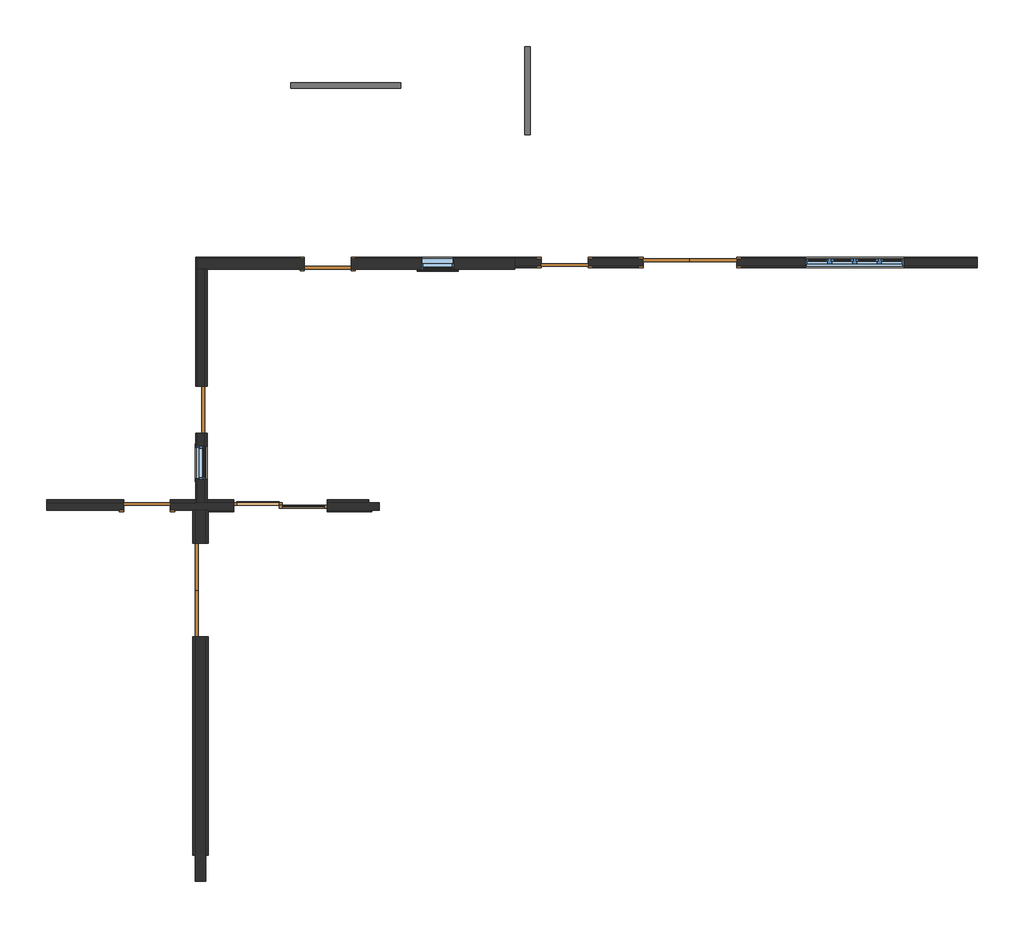
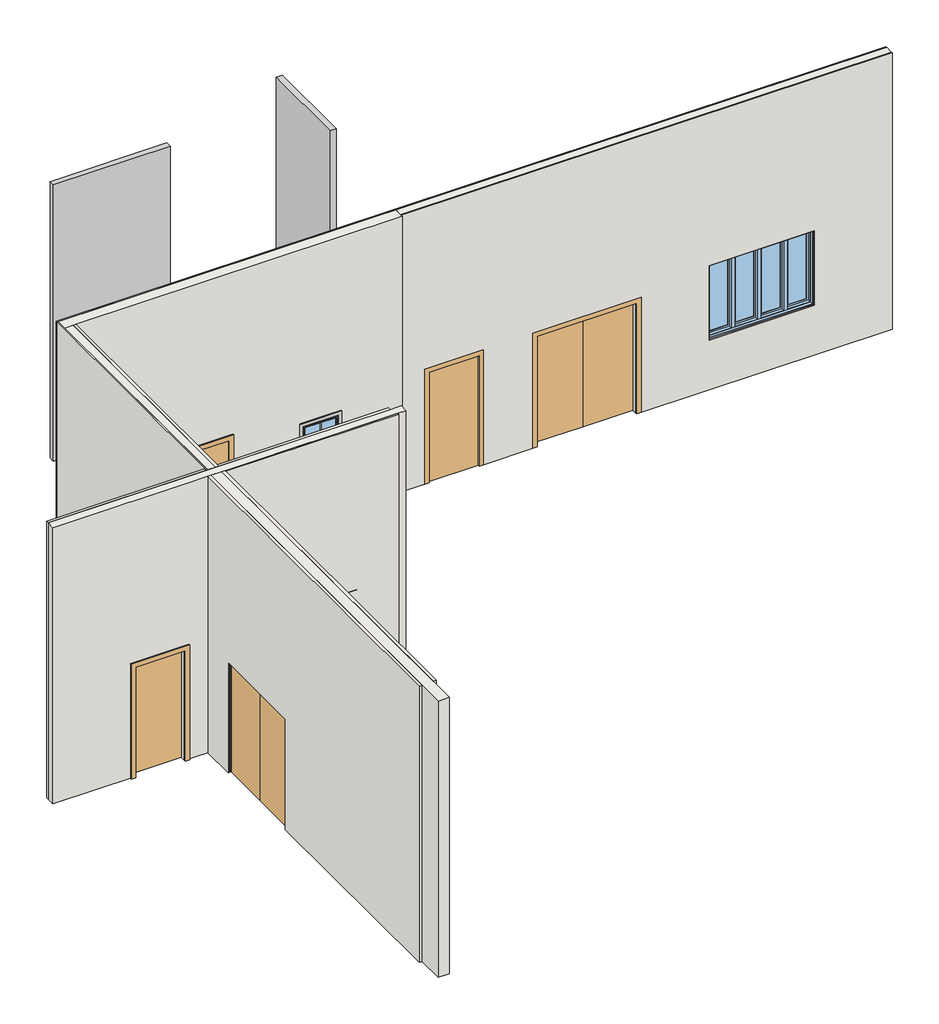
# One storey: 15 walls, 7 doors, 6 proxies, 3 windows, 2 plates.
"""IFC4 building model written with IfcOpenShell, lengths in millimetres."""

import ifcopenshell
import ifcopenshell.guid

model = None  # the IFC model being written
_history = None  # IfcOwnerHistory: only IFC2X3 demands one
_inside = {}  # id of a spatial element -> (the spatial element, [elements in it])
_under = {}  # id of a project, library or spatial element -> (it, [spatial elements below it])
_declared = {}  # id of a project -> (the project, [libraries it declares])
_typed = {}  # id of a type object -> (the type object, [elements of that type])
_made_of = {}  # id of a material, layer set ... -> (it, [elements and type objects made of it])


def new_model(schema):
    """Start an empty IFC model of exactly this schema.

    Asked for "IFC4X3", IfcOpenShell would pick the latest addendum, in which some entities
    have other attributes; the version numbers below select the first issue.
    IFC2X3 requires an IfcOwnerHistory on every rooted entity: one is made here for all.
    """
    global model, _history
    if schema == "IFC4X3":
        model = ifcopenshell.file(schema_version=(4, 3, 0, 0))
    else:
        model = ifcopenshell.file(schema=schema)
    _inside.clear()
    _under.clear()
    _declared.clear()
    _typed.clear()
    _made_of.clear()
    _history = None
    if model.schema == "IFC2X3":
        org = make("IfcOrganization", Name="unknown")
        user = make(
            "IfcPersonAndOrganization",
            ThePerson=make("IfcPerson", FamilyName="unknown"),
            TheOrganization=org,
        )
        app = make(
            "IfcApplication",
            ApplicationDeveloper=org,
            Version="unknown",
            ApplicationFullName="unknown",
            ApplicationIdentifier="unknown",
        )
        _history = make(
            "IfcOwnerHistory",
            OwningUser=user,
            OwningApplication=app,
            ChangeAction="ADDED",
            CreationDate=0,
        )
    return model


def make(cls, **values):
    """One entity of the class cls with the attributes given. An attribute that is None is left unset."""
    return model.create_entity(
        cls, **{name: value for name, value in values.items() if value is not None}
    )


def rooted(cls, **values):
    """An entity with a GlobalId (a new one), such as an element, a storey or a relation."""
    return make(cls, GlobalId=ifcopenshell.guid.new(), OwnerHistory=_history, **values)


def si_unit(unit_type, name, prefix=None):
    """IfcSIUnit, for example si_unit("LENGTHUNIT", "METRE", prefix="MILLI")."""
    return make("IfcSIUnit", UnitType=unit_type, Prefix=prefix, Name=name)


def assignment(units):
    """IfcUnitAssignment: the units of a project."""
    return None if units is None else make("IfcUnitAssignment", Units=units)


def point(xyz):
    """IfcCartesianPoint."""
    return None if xyz is None else make("IfcCartesianPoint", Coordinates=xyz)


def direction(xyz):
    """IfcDirection."""
    return None if xyz is None else make("IfcDirection", DirectionRatios=xyz)


def frame(location, z_axis=None, x_axis=None):
    """IfcAxis2Placement3D, a coordinate frame: its origin and axes. An axis left out is left unset."""
    return make(
        "IfcAxis2Placement3D",
        Location=point(location),
        Axis=direction(z_axis),
        RefDirection=direction(x_axis),
    )


def origin():
    """The frame at (0, 0, 0) with its axes left unset."""
    return frame((0.0, 0.0, 0.0))


def origin_with_axes():
    """The frame at (0, 0, 0) with the z axis (0, 0, 1) and the x axis (1, 0, 0) written out."""
    return frame((0.0, 0.0, 0.0), z_axis=(0.0, 0.0, 1.0), x_axis=(1.0, 0.0, 0.0))


def place(relative_to, where):
    """IfcLocalPlacement: puts the frame where relative to a parent placement (None: the world)."""
    return make(
        "IfcLocalPlacement", PlacementRelTo=relative_to, RelativePlacement=where
    )


def context(
    kind, dimensions, precision=None, world=None, true_north=None, identifier=None
):
    """IfcGeometricRepresentationContext, for example the 3D "Model" context."""
    return make(
        "IfcGeometricRepresentationContext",
        ContextIdentifier=identifier,
        ContextType=kind,
        CoordinateSpaceDimension=dimensions,
        Precision=precision,
        WorldCoordinateSystem=world,
        TrueNorth=true_north,
    )


def project(units=None, contexts=None):
    """IfcProject with its units and contexts."""
    return rooted(
        "IfcProject",
        Name="project",
        RepresentationContexts=contexts,
        UnitsInContext=assignment(units),
    )


def spatial(cls, under=None, at=None, **own):
    """A site, building, storey or space (cls), placed at a placement, below another one or the project."""
    s = rooted(cls, ObjectPlacement=at, **own)
    if under is not None:
        _under.setdefault(under.id(), (under, []))[1].append(s)
    return s


def polyline(points):
    """IfcPolyline through the points."""
    return make("IfcPolyline", Points=[point(p) for p in points])


def outline(outer, holes=None, kind="AREA"):
    """IfcArbitraryClosedProfileDef: a profile drawn as a closed curve; with holes, ...WithVoids."""
    if holes is None:
        return make("IfcArbitraryClosedProfileDef", ProfileType=kind, OuterCurve=outer)
    return make(
        "IfcArbitraryProfileDefWithVoids",
        ProfileType=kind,
        OuterCurve=outer,
        InnerCurves=holes,
    )


def extrude(swept, where, along, depth):
    """IfcExtrudedAreaSolid: the profile swept, set in the frame where, extruded along a direction by depth."""
    return make(
        "IfcExtrudedAreaSolid",
        SweptArea=swept,
        Position=where,
        ExtrudedDirection=direction(along),
        Depth=depth,
    )


def faces_of(points, faces, orient=None, outer=None):
    """IfcFace entities. A face is a list of loops; a loop is a list of indices into points, from 0.

    orient and outer hold one flag for each loop. By default every Orientation is true, the
    first loop of a face is its IfcFaceOuterBound and the others are IfcFaceBound.
    """
    made = []
    for i, loops in enumerate(faces):
        bounds = []
        for j, loop in enumerate(loops):
            is_outer = j == 0 if outer is None else outer[i][j]
            bounds.append(
                make(
                    "IfcFaceOuterBound" if is_outer else "IfcFaceBound",
                    Bound=make("IfcPolyLoop", Polygon=[points[k] for k in loop]),
                    Orientation=True if orient is None else orient[i][j],
                )
            )
        made.append(make("IfcFace", Bounds=bounds))
    return made


def faceted_brep(points, faces, orient=None, outer=None, voids=None):
    """IfcFacetedBrep: a solid bounded by flat faces; with voids (closed shells), ...WithVoids."""
    shared = [point(p) for p in points]
    hull = make("IfcClosedShell", CfsFaces=faces_of(shared, faces, orient, outer))
    if voids is None:
        return make("IfcFacetedBrep", Outer=hull)
    return make(
        "IfcFacetedBrepWithVoids",
        Outer=hull,
        Voids=[
            make(cls, CfsFaces=faces_of(shared, fs, o, b)) for cls, fs, o, b in voids
        ],
    )


def shape(context_of_items, identifier, shape_type, items):
    """IfcShapeRepresentation: the items that make up one representation, for example the "Body"."""
    return make(
        "IfcShapeRepresentation",
        ContextOfItems=context_of_items,
        RepresentationIdentifier=identifier,
        RepresentationType=shape_type,
        Items=items,
    )


def source(mapping_origin, context_of_items, identifier, shape_type, items):
    """IfcRepresentationMap: a shape defined once, which mapped items show again and again."""
    return make(
        "IfcRepresentationMap",
        MappingOrigin=mapping_origin,
        MappedRepresentation=shape(context_of_items, identifier, shape_type, items),
    )


def transform(
    local_origin,
    x_axis=None,
    y_axis=None,
    z_axis=None,
    scale=None,
    scale2=None,
    scale3=None,
    uniform=True,
):
    """IfcCartesianTransformationOperator3D, or its non-uniform kind. x_axis, y_axis, z_axis: its Axis1, 2, 3."""
    if uniform:
        return make(
            "IfcCartesianTransformationOperator3D",
            Axis1=direction(x_axis),
            Axis2=direction(y_axis),
            LocalOrigin=point(local_origin),
            Scale=scale,
            Axis3=direction(z_axis),
        )
    return make(
        "IfcCartesianTransformationOperator3DnonUniform",
        Axis1=direction(x_axis),
        Axis2=direction(y_axis),
        LocalOrigin=point(local_origin),
        Scale=scale,
        Axis3=direction(z_axis),
        Scale2=scale2,
        Scale3=scale3,
    )


def mapped(mapping_source, mapping_target):
    """IfcMappedItem: shows the shape of a source again, moved by a transform."""
    return make(
        "IfcMappedItem", MappingSource=mapping_source, MappingTarget=mapping_target
    )


def made_of(thing, what):
    """Note that an element or type object is made of a material, layer set ...; save() writes the relation."""
    if what is not None:
        _made_of.setdefault(what.id(), (what, []))[1].append(thing)
    return thing


def element(
    cls,
    number,
    at=None,
    inside=None,
    cuts=None,
    type_object=None,
    material=None,
    context=None,
    identifier="Body",
    shape_type=None,
    held_by="IfcProductDefinitionShape",
    body=None,
    shapes=None,
    **own,
):
    """One element of the class cls, such as IfcWall. Its Tag is "e" and its number.

    at: its placement. inside: the storey or other place that contains it. cuts: it is an
    opening in that element (IfcRelVoidsElement). A single representation is given by context,
    identifier, shape_type and body (its items); several are given by shapes. held_by: the class
    of the entity that holds the representations. save() writes the other relations.
    """
    e = rooted(cls, Tag="e%d" % number, ObjectPlacement=at, **own)
    if body is not None:
        shapes = [shape(context, identifier, shape_type, body)]
    if shapes is not None:
        e.Representation = make(held_by, Representations=shapes)
    if inside is not None:
        _inside.setdefault(inside.id(), (inside, []))[1].append(e)
    if cuts is not None:
        rooted(
            "IfcRelVoidsElement", RelatingBuildingElement=cuts, RelatedOpeningElement=e
        )
    if type_object is not None:
        _typed.setdefault(type_object.id(), (type_object, []))[1].append(e)
    return made_of(e, material)


def aggregate(whole, parts):
    """IfcRelAggregates: a whole, such as a stair, and the parts it consists of."""
    return rooted("IfcRelAggregates", RelatingObject=whole, RelatedObjects=parts)


def save(model, path):
    """Write the relations noted so far, then the file.

    IfcRelAggregates (storeys below a building ...), IfcRelContainedInSpatialStructure (elements
    in a storey), IfcRelDefinesByType, IfcRelAssociatesMaterial and IfcRelDeclares: one each for
    every whole, place, type object, material and project.
    """
    for whole, parts in _under.values():
        aggregate(whole, parts)
    for where, things in _inside.values():
        rooted(
            "IfcRelContainedInSpatialStructure",
            RelatedElements=things,
            RelatingStructure=where,
        )
    for kind, things in _typed.values():
        rooted("IfcRelDefinesByType", RelatedObjects=things, RelatingType=kind)
    for what, things in _made_of.values():
        rooted("IfcRelAssociatesMaterial", RelatedObjects=things, RelatingMaterial=what)
    for by, libraries in _declared.values():
        rooted("IfcRelDeclares", RelatingContext=by, RelatedDefinitions=libraries)
    model.write(path)


def generic_models_8a7fc2d2(model_context):
    return source(origin(), model_context, "Body", "SweptSolid", [
        extrude(outline(polyline([(418.25, -6.35), (418.25, -261.9), (405.55, -261.9), (405.55, -6.35), (0.0, -6.35), (0.0, 6.35), (405.55, 6.35), (405.55, 261.9), (418.25, 261.9), (418.25, 6.35), (823.8, 6.35), (823.8, -6.35), (418.25, -6.35)])), frame((0.0, -22.225, 0.0), z_axis=(0.0, 1.0, 0.0), x_axis=(0.0, 0.0, 1.0)), (0.0, 0.0, 1.0), 12.7),
        extrude(outline(polyline([(418.25, -6.35), (418.25, -261.9), (405.55, -261.9), (405.55, -6.35), (0.0, -6.35), (0.0, 6.35), (405.55, 6.35), (405.55, 261.9), (418.25, 261.9), (418.25, 6.35), (823.8, 6.35), (823.8, -6.35), (418.25, -6.35)])), frame((0.0, 9.525, 0.0), z_axis=(0.0, 1.0, 0.0), x_axis=(0.0, 0.0, 1.0)), (0.0, 0.0, 1.0), 12.7),
    ])


def m_moldura_janela_interior_plana_quadro_0a41e60c(model_context):
    return source(origin(), model_context, "Body", "SweptSolid", [
        extrude(outline(polyline([(347.3, 47.3), (347.3, -947.3), (-347.3, -947.3), (-347.3, 47.3), (347.3, 47.3)]), holes=[polyline([(287.3, -12.7), (-287.3, -12.7), (-287.3, -887.3), (287.3, -887.3), (287.3, -12.7)])]), origin_with_axes(), (0.0, 0.0, 1.0), 30.0),
    ])


def m_recorte_janela_exterior_plana_com_peitoril_a9fd4a74(model_context):
    return source(origin(), model_context, "Body", "SweptSolid", [
        extrude(outline(polyline([(360.0, -920.4323709), (360.0, -980.4323709), (-360.0, -980.4323709), (-360.0, -920.4323709), (360.0, -920.4323709)])), origin_with_axes(), (0.0, 0.0, 1.0), 19.05),
        extrude(outline(polyline([(-930.0, 38.1), (-902.4580645, 38.1), (-900.0, 19.05), (-900.0, 0.0), (-920.4323709, 0.0), (-920.4323709, 19.05), (-930.0, 19.05), (-930.0, 38.1)])), frame((-372.7, 0.0, 0.0), z_axis=(1.0, 0.0, 0.0), x_axis=(0.0, 1.0, 0.0)), (0.0, 0.0, 1.0), 745.4),
        extrude(outline(polyline([(-360.0, 60.0), (360.0, 60.0), (360.0, -900.0), (300.0, -900.0), (300.0, 0.0), (-300.0, 0.0), (-300.0, -900.0), (-360.0, -900.0), (-360.0, 60.0)])), origin_with_axes(), (0.0, 0.0, 1.0), 19.05),
    ])


def door_1800_x_2100mm_e1a00c25(model_context):
    return source(origin(), model_context, "Body", "SweptSolid", [
        extrude(outline(polyline([(2000.0, -850.0), (2000.0, 850.0), (0.0, 850.0), (0.0, 930.0), (2080.0, 930.0), (2080.0, -930.0), (0.0, -930.0), (0.0, -850.0), (2000.0, -850.0)])), frame((0.0, -95.0, 0.0), z_axis=(0.0, 1.0, 0.0), x_axis=(0.0, 0.0, 1.0)), (0.0, 0.0, 1.0), 25.0),
        extrude(outline(polyline([(2000.0, -850.0), (2000.0, 850.0), (0.0, 850.0), (0.0, 930.0), (2080.0, 930.0), (2080.0, -930.0), (0.0, -930.0), (0.0, -850.0), (2000.0, -850.0)])), frame((0.0, 70.0, 0.0), z_axis=(0.0, 1.0, 0.0), x_axis=(0.0, 0.0, 1.0)), (0.0, 0.0, 1.0), 25.0),
        extrude(outline(polyline([(0.0, 70.0), (850.0, 70.0), (850.0, 20.0), (0.0, 20.0), (0.0, 70.0)])), origin_with_axes(), (0.0, 0.0, 1.0), 2000.0),
        extrude(outline(polyline([(-850.0, 70.0), (0.0, 70.0), (0.0, 20.0), (-850.0, 20.0), (-850.0, 70.0)])), origin_with_axes(), (0.0, 0.0, 1.0), 2000.0),
    ])


def door_1800_x_2100mm_6389c248(model_context):
    return source(origin(), model_context, "Body", "SweptSolid", [
        extrude(outline(polyline([(2000.0, -850.0), (2000.0, 850.0), (0.0, 850.0), (0.0, 930.0), (2080.0, 930.0), (2080.0, -930.0), (0.0, -930.0), (0.0, -850.0), (2000.0, -850.0)])), frame((0.0, -120.0, 0.0), z_axis=(0.0, 1.0, 0.0), x_axis=(0.0, 0.0, 1.0)), (0.0, 0.0, 1.0), 25.0),
        extrude(outline(polyline([(2000.0, -850.0), (2000.0, 850.0), (0.0, 850.0), (0.0, 930.0), (2080.0, 930.0), (2080.0, -930.0), (0.0, -930.0), (0.0, -850.0), (2000.0, -850.0)])), frame((0.0, 95.0, 0.0), z_axis=(0.0, 1.0, 0.0), x_axis=(0.0, 0.0, 1.0)), (0.0, 0.0, 1.0), 25.0),
        extrude(outline(polyline([(0.0, 95.0), (850.0, 95.0), (850.0, 45.0), (0.0, 45.0), (0.0, 95.0)])), origin_with_axes(), (0.0, 0.0, 1.0), 2000.0),
        extrude(outline(polyline([(-850.0, 95.0), (0.0, 95.0), (0.0, 45.0), (-850.0, 45.0), (-850.0, 95.0)])), origin_with_axes(), (0.0, 0.0, 1.0), 2000.0),
    ])


def door_900_x_2100mm_fbac1351(model_context):
    return source(origin(), model_context, "Body", "SweptSolid", [
        extrude(outline(polyline([(425.0, 20.0), (-425.0, 20.0), (-425.0, 70.0), (425.0, 70.0), (425.0, 20.0)])), origin_with_axes(), (0.0, 0.0, 1.0), 2000.0),
        extrude(outline(polyline([(2076.2, -501.2), (0.0, -501.2), (0.0, -425.0), (2000.0, -425.0), (2000.0, 425.0), (0.0, 425.0), (0.0, 501.2), (2076.2, 501.2), (2076.2, -501.2)])), frame((0.0, 70.0, 0.0), z_axis=(0.0, 1.0, 0.0), x_axis=(0.0, 0.0, 1.0)), (0.0, 0.0, 1.0), 25.0),
        extrude(outline(polyline([(2076.2, 501.2), (2076.2, -501.2), (0.0, -501.2), (0.0, -425.0), (2000.0, -425.0), (2000.0, 425.0), (0.0, 425.0), (0.0, 501.2), (2076.2, 501.2)])), frame((0.0, -95.0, 0.0), z_axis=(0.0, 1.0, 0.0), x_axis=(0.0, 0.0, 1.0)), (0.0, 0.0, 1.0), 25.0),
    ])


def door_900_x_2100mm_c078ccea(model_context):
    return source(origin(), model_context, "Body", "SweptSolid", [
        extrude(outline(polyline([(425.0, 45.0), (-425.0, 45.0), (-425.0, 95.0), (425.0, 95.0), (425.0, 45.0)])), origin_with_axes(), (0.0, 0.0, 1.0), 2000.0),
        extrude(outline(polyline([(2076.2, -501.2), (0.0, -501.2), (0.0, -425.0), (2000.0, -425.0), (2000.0, 425.0), (0.0, 425.0), (0.0, 501.2), (2076.2, 501.2), (2076.2, -501.2)])), frame((0.0, 95.0, 0.0), z_axis=(0.0, 1.0, 0.0), x_axis=(0.0, 0.0, 1.0)), (0.0, 0.0, 1.0), 25.0),
        extrude(outline(polyline([(2076.2, 501.2), (2076.2, -501.2), (0.0, -501.2), (0.0, -425.0), (2000.0, -425.0), (2000.0, 425.0), (0.0, 425.0), (0.0, 501.2), (2076.2, 501.2)])), frame((0.0, -120.0, 0.0), z_axis=(0.0, 1.0, 0.0), x_axis=(0.0, 0.0, 1.0)), (0.0, 0.0, 1.0), 25.0),
    ])


def m_porta_deslizante_dupla_1700_x_2100mm_c50e06b5(model_context):
    return source(origin(), model_context, "Body", "SweptSolid", [
        extrude(outline(polyline([(0.0, -930.0), (0.0, -850.0), (2000.0, -850.0), (2000.0, 850.0), (0.0, 850.0), (0.0, 930.0), (2080.0, 930.0), (2080.0, -930.0), (0.0, -930.0)])), frame((0.0, 32.0, 0.0), z_axis=(0.0, 1.0, 0.0), x_axis=(0.0, 0.0, 1.0)), (0.0, 0.0, 1.0), 25.0),
        extrude(outline(polyline([(0.0, 930.0), (2080.0, 930.0), (2080.0, -930.0), (0.0, -930.0), (0.0, -850.0), (2000.0, -850.0), (2000.0, 850.0), (0.0, 850.0), (0.0, 930.0)])), frame((0.0, 197.0, 0.0), z_axis=(0.0, 1.0, 0.0), x_axis=(0.0, 0.0, 1.0)), (0.0, 0.0, 1.0), 25.0),
        extrude(outline(polyline([(2000.0, -25.0), (0.0, -25.0), (0.0, 850.0), (2000.0, 850.0), (2000.0, -25.0)]), holes=[polyline([(1950.0, 25.0), (1950.0, 800.0), (50.0, 800.0), (50.0, 25.0), (1950.0, 25.0)])]), frame((0.0, 97.0, 0.0), z_axis=(0.0, 1.0, 0.0), x_axis=(0.0, 0.0, 1.0)), (0.0, 0.0, 1.0), 50.0),
        extrude(outline(polyline([(2000.0, 25.0), (2000.0, -850.0), (0.0, -850.0), (0.0, 25.0), (2000.0, 25.0)]), holes=[polyline([(1950.0, -25.0), (50.0, -25.0), (50.0, -800.0), (1950.0, -800.0), (1950.0, -25.0)])]), frame((0.0, 147.0, 0.0), z_axis=(0.0, 1.0, 0.0), x_axis=(0.0, 0.0, 1.0)), (0.0, 0.0, 1.0), 50.0),
        extrude(outline(polyline([(25.0, 125.175), (800.0, 125.175), (800.0, 118.825), (25.0, 118.825), (25.0, 125.175)])), frame((0.0, 0.0, 50.0), z_axis=(0.0, 0.0, 1.0), x_axis=(1.0, 0.0, 0.0)), (0.0, 0.0, 1.0), 1900.0),
        extrude(outline(polyline([(-25.0, 200.025), (-800.0, 200.025), (-800.0, 206.375), (-25.0, 206.375), (-25.0, 200.025)])), frame((0.0, 0.0, 50.0), z_axis=(0.0, 0.0, 1.0), x_axis=(1.0, 0.0, 0.0)), (0.0, 0.0, 1.0), 1900.0),
    ])


def system_panel_glazed_89c7a16a(model_context):
    return source(origin(), model_context, "Body", "SweptSolid", [
        extrude(outline(polyline([(1000.0, -150.0), (-1000.0, -150.0), (-1000.0, -50.0), (1000.0, -50.0), (1000.0, -150.0)])), origin_with_axes(), (0.0, 0.0, 1.0), 5000.0),
    ])


def system_panel_glazed_53bbfc1f(model_context):
    return source(origin(), model_context, "Body", "SweptSolid", [
        extrude(outline(polyline([(800.0, -150.0), (-800.0, -150.0), (-800.0, -50.0), (800.0, -50.0), (800.0, -150.0)])), origin_with_axes(), (0.0, 0.0, 1.0), 5000.0),
    ])


def window_1800_x_1350mm_4eae6bbc(model_context):
    return source(origin(), model_context, "Body", "SolidModel", [
        extrude(outline(polyline([(2224.6, -424.6), (925.4, -424.6), (925.4, -25.4), (2224.6, -25.4), (2224.6, -424.6)]), holes=[polyline([(2183.2, -66.8), (966.8, -66.8), (966.8, -383.2), (2183.2, -383.2), (2183.2, -66.8)])]), frame((0.0, 28.7, 0.0), z_axis=(0.0, 1.0, 0.0), x_axis=(0.0, 0.0, 1.0)), (0.0, 0.0, 1.0), 31.75),
        extrude(outline(polyline([(2224.6, 25.4), (925.4, 25.4), (925.4, 424.6), (2224.6, 424.6), (2224.6, 25.4)]), holes=[polyline([(2183.2, 383.2), (966.8, 383.2), (966.8, 66.8), (2183.2, 66.8), (2183.2, 383.2)])]), frame((0.0, 28.7, 0.0), z_axis=(0.0, 1.0, 0.0), x_axis=(0.0, 0.0, 1.0)), (0.0, 0.0, 1.0), 31.75),
        faceted_brep([(-475.4, 28.7, 2224.6), (-874.6, 28.7, 2224.6), (-874.6, 70.0, 2224.6), (874.6, 70.0, 2224.6), (874.6, 28.7, 2224.6), (475.4, 28.7, 2224.6), (475.4, 66.8, 2224.6), (424.6, 66.8, 2224.6), (424.6, 28.7, 2224.6), (25.4, 28.7, 2224.6), (25.4, 66.8, 2224.6), (-25.4, 66.8, 2224.6), (-25.4, 28.7, 2224.6), (-424.6, 28.7, 2224.6), (-424.6, 66.8, 2224.6), (-475.4, 66.8, 2224.6), (-865.0, -22.1, 2215.0), (-865.0, 28.7, 2215.0), (-485.0, 28.7, 2215.0), (-485.0, -22.1, 2215.0), (865.0, 28.7, 2215.0), (865.0, -22.1, 2215.0), (485.0, -22.1, 2215.0), (485.0, 28.7, 2215.0), (-415.0, 28.7, 2215.0), (-35.0, 28.7, 2215.0), (-35.0, -22.1, 2215.0), (-415.0, -22.1, 2215.0), (35.0, 28.7, 2215.0), (415.0, 28.7, 2215.0), (415.0, -22.1, 2215.0), (35.0, -22.1, 2215.0), (-874.6, -70.0, 2224.6), (-874.6, -22.1, 2224.6), (874.6, -22.1, 2224.6), (874.6, -70.0, 2224.6), (-900.0, 70.0, 2250.0), (-900.0, -70.0, 2250.0), (900.0, -70.0, 2250.0), (900.0, 70.0, 2250.0), (874.6, 70.0, 925.4), (874.6, 28.7, 925.4), (865.0, 28.7, 935.0), (865.0, -22.1, 935.0), (874.6, -22.1, 925.4), (874.6, -70.0, 925.4), (900.0, -70.0, 900.0), (900.0, 70.0, 900.0), (475.4, 28.7, 925.4), (-874.6, 70.0, 925.4), (-874.6, 28.7, 925.4), (-475.4, 28.7, 925.4), (-475.4, 66.8, 925.4), (-424.6, 66.8, 925.4), (-424.6, 28.7, 925.4), (-25.4, 28.7, 925.4), (-25.4, 66.8, 925.4), (25.4, 66.8, 925.4), (25.4, 28.7, 925.4), (424.6, 28.7, 925.4), (424.6, 66.8, 925.4), (475.4, 66.8, 925.4), (485.0, 28.7, 935.0), (485.0, -22.1, 935.0), (-865.0, 28.7, 935.0), (-865.0, -22.1, 935.0), (-485.0, -22.1, 935.0), (-485.0, 28.7, 935.0), (-35.0, 28.7, 935.0), (-415.0, 28.7, 935.0), (-415.0, -22.1, 935.0), (-35.0, -22.1, 935.0), (415.0, 28.7, 935.0), (35.0, 28.7, 935.0), (35.0, -22.1, 935.0), (415.0, -22.1, 935.0), (-874.6, -22.1, 925.4), (-874.6, -70.0, 925.4), (-900.0, -70.0, 900.0), (-900.0, 70.0, 900.0)], [[[0, 1, 2, 3, 4, 5, 6, 7, 8, 9, 10, 11, 12, 13, 14, 15]], [[16, 17, 18, 19]], [[20, 21, 22, 23]], [[24, 25, 26, 27]], [[28, 29, 30, 31]], [[32, 33, 34, 35]], [[36, 37, 38, 39]], [[4, 3, 40, 41]], [[21, 20, 42, 43]], [[35, 34, 44, 45]], [[39, 38, 46, 47]], [[48, 41, 40, 49, 50, 51, 52, 53, 54, 55, 56, 57, 58, 59, 60, 61]], [[43, 42, 62, 63]], [[64, 65, 66, 67]], [[68, 69, 70, 71]], [[72, 73, 74, 75]], [[45, 44, 76, 77]], [[47, 46, 78, 79]], [[2, 1, 50, 49]], [[4, 41, 48, 5], [20, 23, 62, 42]], [[50, 1, 0, 51], [64, 67, 18, 17]], [[12, 55, 54, 13], [69, 68, 25, 24]], [[8, 59, 58, 9], [73, 72, 29, 28]], [[17, 16, 65, 64]], [[44, 34, 33, 76], [16, 19, 66, 65], [27, 26, 71, 70], [31, 30, 75, 74], [21, 43, 63, 22]], [[33, 32, 77, 76]], [[38, 37, 78, 46], [32, 35, 45, 77]], [[37, 36, 79, 78]], [[36, 39, 47, 79], [3, 2, 49, 40]], [[18, 67, 66, 19]], [[69, 24, 27, 70]], [[53, 14, 13, 54]], [[14, 53, 52, 15]], [[15, 52, 51, 0]], [[25, 68, 71, 26]], [[73, 28, 31, 74]], [[57, 10, 9, 58]], [[10, 57, 56, 11]], [[11, 56, 55, 12]], [[6, 61, 60, 7]], [[7, 60, 59, 8]], [[29, 72, 75, 30]], [[62, 23, 22, 63]], [[61, 6, 5, 48]]]),
        extrude(outline(polyline([(-66.8, 54.1), (-66.8, 47.75), (-383.2, 47.75), (-383.2, 54.1), (-66.8, 54.1)])), frame((0.0, 0.0, 966.8), z_axis=(0.0, 0.0, 1.0), x_axis=(1.0, 0.0, 0.0)), (0.0, 0.0, 1.0), 1216.4),
        extrude(outline(polyline([(-66.8, 41.4), (-66.8, 35.05), (-383.2, 35.05), (-383.2, 41.4), (-66.8, 41.4)])), frame((0.0, 0.0, 966.8), z_axis=(0.0, 0.0, 1.0), x_axis=(1.0, 0.0, 0.0)), (0.0, 0.0, 1.0), 1216.4),
        extrude(outline(polyline([(383.2, 54.1), (383.2, 47.75), (66.8, 47.75), (66.8, 54.1), (383.2, 54.1)])), frame((0.0, 0.0, 966.8), z_axis=(0.0, 0.0, 1.0), x_axis=(1.0, 0.0, 0.0)), (0.0, 0.0, 1.0), 1216.4),
        extrude(outline(polyline([(383.2, 41.4), (383.2, 35.05), (66.8, 35.05), (66.8, 41.4), (383.2, 41.4)])), frame((0.0, 0.0, 966.8), z_axis=(0.0, 0.0, 1.0), x_axis=(1.0, 0.0, 0.0)), (0.0, 0.0, 1.0), 1216.4),
        extrude(outline(polyline([(-516.8, 54.1), (-516.8, 47.75), (-833.2, 47.75), (-833.2, 54.1), (-516.8, 54.1)])), frame((0.0, 0.0, 967.2703125), z_axis=(0.0, 0.0, 1.0), x_axis=(1.0, 0.0, 0.0)), (0.0, 0.0, 1.0), 1215.9296875),
        extrude(outline(polyline([(-516.8, 41.4), (-516.8, 35.05), (-833.2, 35.05), (-833.2, 41.4), (-516.8, 41.4)])), frame((0.0, 0.0, 967.2703125), z_axis=(0.0, 0.0, 1.0), x_axis=(1.0, 0.0, 0.0)), (0.0, 0.0, 1.0), 1215.9296875),
        extrude(outline(polyline([(833.2, 54.1), (833.2, 47.75), (516.8, 47.75), (516.8, 54.1), (833.2, 54.1)])), frame((0.0, 0.0, 967.2703125), z_axis=(0.0, 0.0, 1.0), x_axis=(1.0, 0.0, 0.0)), (0.0, 0.0, 1.0), 1215.9296875),
        extrude(outline(polyline([(833.2, 41.4), (833.2, 35.05), (516.8, 35.05), (516.8, 41.4), (833.2, 41.4)])), frame((0.0, 0.0, 967.2703125), z_axis=(0.0, 0.0, 1.0), x_axis=(1.0, 0.0, 0.0)), (0.0, 0.0, 1.0), 1215.9296875),
        extrude(outline(polyline([(2224.6, -874.6), (925.4, -874.6), (925.4, -475.4), (2224.6, -475.4), (2224.6, -874.6)]), holes=[polyline([(2183.2, -516.8), (966.8, -516.8), (966.8, -833.2), (2183.2, -833.2), (2183.2, -516.8)])]), frame((0.0, 28.7, 0.0), z_axis=(0.0, 1.0, 0.0), x_axis=(0.0, 0.0, 1.0)), (0.0, 0.0, 1.0), 31.75),
        extrude(outline(polyline([(2224.6, 475.4), (925.4, 475.4), (925.4, 874.6), (2224.6, 874.6), (2224.6, 475.4)]), holes=[polyline([(2183.2, 833.2), (966.8, 833.2), (966.8, 516.8), (2183.2, 516.8), (2183.2, 833.2)])]), frame((0.0, 28.7, 0.0), z_axis=(0.0, 1.0, 0.0), x_axis=(0.0, 0.0, 1.0)), (0.0, 0.0, 1.0), 31.75),
    ])


def window_750_x_1500mm_7980305c(model_context):
    return source(origin(), model_context, "Body", "SolidModel", [
        extrude(outline(polyline([(261.9, 70.0), (261.9, 63.65), (-261.9, 63.65), (-261.9, 70.0), (261.9, 70.0)])), frame((0.0, 0.0, 938.1), z_axis=(0.0, 0.0, 1.0), x_axis=(1.0, 0.0, 0.0)), (0.0, 0.0, 1.0), 823.8),
        extrude(outline(polyline([(-261.9, 50.95), (-261.9, 57.3), (261.9, 57.3), (261.9, 50.95), (-261.9, 50.95)])), frame((0.0, 0.0, 938.1), z_axis=(0.0, 0.0, 1.0), x_axis=(1.0, 0.0, 0.0)), (0.0, 0.0, 1.0), 823.8),
        extrude(outline(polyline([(912.7, 287.3), (1787.3, 287.3), (1787.3, -287.3), (912.7, -287.3), (912.7, 287.3)]), holes=[polyline([(938.1, -261.9), (1761.9, -261.9), (1761.9, 261.9), (938.1, 261.9), (938.1, -261.9)])]), frame((0.0, 38.25, 0.0), z_axis=(0.0, 1.0, 0.0), x_axis=(0.0, 0.0, 1.0)), (0.0, 0.0, 1.0), 44.45),
        extrude(outline(polyline([(1800.0, -300.0), (900.0, -300.0), (900.0, 300.0), (1800.0, 300.0), (1800.0, -300.0)]), holes=[polyline([(1787.3, 287.3), (912.7, 287.3), (912.7, -287.3), (1787.3, -287.3), (1787.3, 287.3)])]), frame((0.0, -70.0, 0.0), z_axis=(0.0, 1.0, 0.0), x_axis=(0.0, 0.0, 1.0)), (0.0, 0.0, 1.0), 44.75),
        faceted_brep([(300.0, -25.25, 1800.0), (300.0, 89.05, 1800.0), (-300.0, 89.05, 1800.0), (-300.0, -25.25, 1800.0), (-300.0, 89.05, 900.0), (-300.0, -25.25, 900.0), (300.0, 89.05, 900.0), (300.0, -25.25, 900.0), (268.25, -25.25, 1768.25), (268.25, -25.25, 931.75), (-268.25, -25.25, 931.75), (-268.25, -25.25, 1768.25), (-287.3, 89.05, 1787.3), (-287.3, 89.05, 912.7), (287.3, 89.05, 912.7), (287.3, 89.05, 1787.3), (268.25, 38.25, 1768.25), (-268.25, 38.25, 1768.25), (287.3, 38.25, 1787.3), (-287.3, 38.25, 1787.3), (-268.25, 38.25, 931.75), (-287.3, 38.25, 912.7), (268.25, 38.25, 931.75), (287.3, 38.25, 912.7)], [[[0, 1, 2, 3]], [[3, 2, 4, 5]], [[5, 4, 6, 7]], [[3, 5, 7, 0], [8, 9, 10, 11]], [[7, 6, 1, 0]], [[1, 6, 4, 2], [12, 13, 14, 15]], [[16, 8, 11, 17]], [[15, 18, 19, 12]], [[17, 11, 10, 20]], [[12, 19, 21, 13]], [[20, 10, 9, 22]], [[13, 21, 23, 14]], [[22, 9, 8, 16]], [[18, 23, 21, 19], [17, 20, 22, 16]], [[14, 23, 18, 15]]]),
    ])


def window_750_x_1500mm_9d4d9ed1(model_context):
    return source(origin(), model_context, "Body", "SolidModel", [
        extrude(outline(polyline([(261.9, 95.0), (261.9, 88.65), (-261.9, 88.65), (-261.9, 95.0), (261.9, 95.0)])), frame((0.0, 0.0, 938.1), z_axis=(0.0, 0.0, 1.0), x_axis=(1.0, 0.0, 0.0)), (0.0, 0.0, 1.0), 823.8),
        extrude(outline(polyline([(-261.9, 75.95), (-261.9, 82.3), (261.9, 82.3), (261.9, 75.95), (-261.9, 75.95)])), frame((0.0, 0.0, 938.1), z_axis=(0.0, 0.0, 1.0), x_axis=(1.0, 0.0, 0.0)), (0.0, 0.0, 1.0), 823.8),
        extrude(outline(polyline([(912.7, 287.3), (1787.3, 287.3), (1787.3, -287.3), (912.7, -287.3), (912.7, 287.3)]), holes=[polyline([(938.1, -261.9), (1761.9, -261.9), (1761.9, 261.9), (938.1, 261.9), (938.1, -261.9)])]), frame((0.0, 63.25, 0.0), z_axis=(0.0, 1.0, 0.0), x_axis=(0.0, 0.0, 1.0)), (0.0, 0.0, 1.0), 44.45),
        extrude(outline(polyline([(1800.0, -300.0), (900.0, -300.0), (900.0, 300.0), (1800.0, 300.0), (1800.0, -300.0)]), holes=[polyline([(1787.3, 287.3), (912.7, 287.3), (912.7, -287.3), (1787.3, -287.3), (1787.3, 287.3)])]), frame((0.0, -95.0, 0.0), z_axis=(0.0, 1.0, 0.0), x_axis=(0.0, 0.0, 1.0)), (0.0, 0.0, 1.0), 94.75),
        faceted_brep([(300.0, -0.25, 1800.0), (300.0, 114.05, 1800.0), (-300.0, 114.05, 1800.0), (-300.0, -0.25, 1800.0), (-300.0, 114.05, 900.0), (-300.0, -0.25, 900.0), (300.0, 114.05, 900.0), (300.0, -0.25, 900.0), (268.25, -0.25, 1768.25), (268.25, -0.25, 931.75), (-268.25, -0.25, 931.75), (-268.25, -0.25, 1768.25), (-287.3, 114.05, 1787.3), (-287.3, 114.05, 912.7), (287.3, 114.05, 912.7), (287.3, 114.05, 1787.3), (268.25, 63.25, 1768.25), (-268.25, 63.25, 1768.25), (287.3, 63.25, 1787.3), (-287.3, 63.25, 1787.3), (-268.25, 63.25, 931.75), (-287.3, 63.25, 912.7), (268.25, 63.25, 931.75), (287.3, 63.25, 912.7)], [[[0, 1, 2, 3]], [[3, 2, 4, 5]], [[5, 4, 6, 7]], [[3, 5, 7, 0], [8, 9, 10, 11]], [[7, 6, 1, 0]], [[1, 6, 4, 2], [12, 13, 14, 15]], [[16, 8, 11, 17]], [[15, 18, 19, 12]], [[17, 11, 10, 20]], [[12, 19, 21, 13]], [[20, 10, 9, 22]], [[13, 21, 23, 14]], [[22, 9, 8, 16]], [[18, 23, 21, 19], [17, 20, 22, 16]], [[14, 23, 18, 15]]]),
    ])


model = new_model("IFC4")

# Units and contexts
model_context = context("Model", 3, world=origin())
ifc_project = project(units=[si_unit("LENGTHUNIT", "METRE", prefix="MILLI")], contexts=[model_context])

# Site, building, storey
site = spatial("IfcSite", under=ifc_project)
building = spatial("IfcBuilding", under=site)
storey = spatial("IfcBuildingStorey", under=building, Elevation=0.0)

# Proxies
placement = place(None, origin())
generic_models_shape = generic_models_8a7fc2d2(model_context)
element("IfcBuildingElementProxy", 1, Name="Generic Models", at=placement, inside=storey, context=model_context, shape_type="MappedRepresentation", body=[
    mapped(generic_models_shape, transform((-20622.2222222, 24841.7472222, 938.1), x_axis=(1.0, 0.0, 0.0), y_axis=(0.0, 1.0, 0.0), z_axis=(0.0, 0.0, 1.0))),
])
element("IfcBuildingElementProxy", 2, Name="Generic Models", at=placement, inside=storey, context=model_context, shape_type="MappedRepresentation", body=[
    mapped(generic_models_shape, transform((-24861.7472222, 21317.2222222, 938.1), x_axis=(0.0, 1.0, 0.0), y_axis=(-1.0, 0.0, 0.0), z_axis=(0.0, 0.0, 1.0))),
])
m_moldura_janela_interior_plana_quadro_shape = m_moldura_janela_interior_plana_quadro_0a41e60c(model_context)
element("IfcBuildingElementProxy", 3, Name="M_Moldura-janela-interior-plana : Quadro", ObjectType="M_Moldura-janela-interior-plana : Quadro", at=placement, inside=storey, context=model_context, shape_type="MappedRepresentation", body=[
    mapped(m_moldura_janela_interior_plana_quadro_shape, transform((-20622.2222222, 25022.2222222, 1800.0), x_axis=(-1.0, 0.0, 0.0), y_axis=(0.0, 0.0, 1.0), z_axis=(0.0, 1.0, 0.0))),
])
element("IfcBuildingElementProxy", 4, Name="M_Moldura-janela-interior-plana : Quadro", ObjectType="M_Moldura-janela-interior-plana : Quadro", at=placement, inside=storey, context=model_context, shape_type="MappedRepresentation", body=[
    mapped(m_moldura_janela_interior_plana_quadro_shape, transform((-24992.2222222, 21317.2222222, 1800.0), x_axis=(0.0, -1.0, 0.0), y_axis=(0.0, 0.0, 1.0), z_axis=(-1.0, 0.0, 0.0))),
])
m_recorte_janela_exterior_plana_com_peitoril_shape = m_recorte_janela_exterior_plana_com_peitoril_a9fd4a74(model_context)
element("IfcBuildingElementProxy", 5, Name="M_Recorte-Janela-Exterior-Plana : com peitoril", ObjectType="M_Recorte-Janela-Exterior-Plana : com peitoril", at=placement, inside=storey, context=model_context, shape_type="MappedRepresentation", body=[
    mapped(m_recorte_janela_exterior_plana_com_peitoril_shape, transform((-20622.2222222, 24832.2222222, 1800.0), x_axis=(1.0, 0.0, 0.0), y_axis=(0.0, 0.0, 1.0), z_axis=(0.0, -1.0, 0.0))),
])
element("IfcBuildingElementProxy", 6, Name="M_Recorte-Janela-Exterior-Plana : com peitoril", ObjectType="M_Recorte-Janela-Exterior-Plana : com peitoril", at=placement, inside=storey, context=model_context, shape_type="MappedRepresentation", body=[
    mapped(m_recorte_janela_exterior_plana_com_peitoril_shape, transform((-24852.2222222, 21317.2222222, 1800.0), x_axis=(0.0, 1.0, 0.0), y_axis=(0.0, 0.0, 1.0), z_axis=(1.0, 0.0, 0.0))),
])

# Doors
door_1800_x_2100mm_shape = door_1800_x_2100mm_e1a00c25(model_context)
element("IfcDoor", 7, ObjectType="1800 x 2100mm", at=placement, inside=storey, context=model_context, shape_type="MappedRepresentation", body=[
    mapped(door_1800_x_2100mm_shape, transform((-16042.2222222, 24952.2222222, 0.0), x_axis=(1.0, 0.0, 0.0), y_axis=(0.0, 1.0, 0.0), z_axis=(0.0, 0.0, 1.0))),
])
door_1800_x_2100mm_2_shape = door_1800_x_2100mm_6389c248(model_context)
element("IfcDoor", 8, ObjectType="1800 x 2100mm", at=placement, inside=storey, context=model_context, shape_type="MappedRepresentation", body=[
    mapped(door_1800_x_2100mm_2_shape, transform((-24927.2222222, 19007.2222222, 0.0), x_axis=(0.0, 1.0, 0.0), y_axis=(-1.0, 0.0, 0.0), z_axis=(0.0, 0.0, 1.0))),
])
door_900_x_2100mm_shape = door_900_x_2100mm_fbac1351(model_context)
element("IfcDoor", 9, ObjectType="900 x 2100mm", at=placement, inside=storey, context=model_context, shape_type="MappedRepresentation", body=[
    mapped(door_900_x_2100mm_shape, transform((-25897.2222222, 20527.2222222, 0.0), x_axis=(1.0, 0.0, 0.0), y_axis=(0.0, 1.0, 0.0), z_axis=(0.0, 0.0, 1.0))),
])
element("IfcDoor", 10, ObjectType="900 x 2100mm", at=placement, inside=storey, context=model_context, shape_type="MappedRepresentation", body=[
    mapped(door_900_x_2100mm_shape, transform((-24922.2222222, 22282.2222222, 0.0), x_axis=(0.0, -1.0, 0.0), y_axis=(1.0, 0.0, 0.0), z_axis=(0.0, 0.0, 1.0))),
])
door_900_x_2100mm_2_shape = door_900_x_2100mm_c078ccea(model_context)
element("IfcDoor", 11, ObjectType="900 x 2100mm", at=placement, inside=storey, context=model_context, shape_type="MappedRepresentation", body=[
    mapped(door_900_x_2100mm_2_shape, transform((-22617.2222222, 24927.2222222, 0.0), x_axis=(-1.0, 0.0, 0.0), y_axis=(0.0, -1.0, 0.0), z_axis=(0.0, 0.0, 1.0))),
])
element("IfcDoor", 12, ObjectType="900 x 2100mm", at=placement, inside=storey, context=model_context, shape_type="MappedRepresentation", body=[
    mapped(door_900_x_2100mm_shape, transform((-18317.2222222, 24952.2222222, 0.0), x_axis=(-1.0, 0.0, 0.0), y_axis=(0.0, -1.0, 0.0), z_axis=(0.0, 0.0, 1.0))),
])
m_porta_deslizante_dupla_1700_x_2100mm_shape = m_porta_deslizante_dupla_1700_x_2100mm_c50e06b5(model_context)
element("IfcDoor", 13, ObjectType="M_Porta-Deslizante-Dupla : 1700 x 2100mm", at=placement, inside=storey, context=model_context, shape_type="MappedRepresentation", body=[
    mapped(m_porta_deslizante_dupla_1700_x_2100mm_shape, transform((-23472.2222222, 20400.2222222, 0.0), x_axis=(1.0, 0.0, 0.0), y_axis=(0.0, 1.0, 0.0), z_axis=(0.0, 0.0, 1.0))),
])

# Plates
system_panel_glazed_shape = system_panel_glazed_89c7a16a(model_context)
element("IfcPlate", 14, ObjectType="System Panel : Glazed", at=placement, inside=storey, context=model_context, shape_type="MappedRepresentation", body=[
    mapped(system_panel_glazed_shape, transform((-22290.8194196, 28268.2406385, 0.0), x_axis=(1.0, 0.0, 0.0), y_axis=(0.0, 1.0, 0.0), z_axis=(0.0, 0.0, 1.0))),
])
system_panel_glazed_2_shape = system_panel_glazed_53bbfc1f(model_context)
element("IfcPlate", 15, ObjectType="System Panel : Glazed", at=placement, inside=storey, context=model_context, shape_type="MappedRepresentation", body=[
    mapped(system_panel_glazed_2_shape, transform((-19090.9798778, 28074.9962277, 0.0), x_axis=(0.0, 1.0, 0.0), y_axis=(-1.0, 0.0, 0.0), z_axis=(0.0, 0.0, 1.0))),
])

# Walls
element("IfcWall", 16, ObjectType="Bl14Preenchido_SemRev_SemRev", at=placement, inside=storey, context=model_context, shape_type="SweptSolid", body=[
    extrude(outline(polyline([(0.0, -10822.2222222), (5000.0, -10822.2222222), (5000.0, -19222.2222222), (0.0, -19222.2222222), (0.0, -18742.2222222), (2000.0, -18742.2222222), (2000.0, -17892.2222222), (0.0, -17892.2222222), (0.0, -16892.2222222), (2000.0, -16892.2222222), (2000.0, -15192.2222222), (0.0, -15192.2222222), (0.0, -10822.2222222)]), holes=[polyline([(2250.0, -12152.2222222), (900.0, -12152.2222222), (900.0, -13952.2222222), (2250.0, -13952.2222222), (2250.0, -12152.2222222)])]), frame((0.0, 24882.2222222, 0.0), z_axis=(0.0, 1.0, 0.0), x_axis=(0.0, 0.0, 1.0)), (0.0, 0.0, 1.0), 140.0),
])
element("IfcWall", 17, ObjectType="Bl14_SemRev_SemRev", at=placement, inside=storey, context=model_context, shape_type="SweptSolid", body=[
    extrude(outline(polyline([(21857.2222222, 2000.0), (21857.2222222, 0.0), (20597.2222222, 0.0), (20597.2222222, 5000.0), (24832.2222222, 5000.0), (24832.2222222, 0.0), (22707.2222222, 0.0), (22707.2222222, 2000.0), (21857.2222222, 2000.0)]), holes=[polyline([(21017.2222222, 1800.0), (21017.2222222, 900.0), (21617.2222222, 900.0), (21617.2222222, 1800.0), (21017.2222222, 1800.0)])]), frame((-24992.2222222, 0.0, 0.0), z_axis=(1.0, 0.0, 0.0), x_axis=(0.0, 1.0, 0.0)), (0.0, 0.0, 1.0), 140.0),
])
element("IfcWall", 18, ObjectType="Bl14_SemRev_SemRev", at=placement, inside=storey, context=model_context, shape_type="Brep", body=[
    faceted_brep([(-25472.2222222, 20457.2222222, 2000.0), (-25472.2222222, 20457.2222222, 0.0), (-25072.2222222, 20457.2222222, 0.0), (-25022.2222222, 20457.2222222, 0.0), (-24832.2222222, 20457.2222222, 0.0), (-24782.2222222, 20457.2222222, 0.0), (-24322.2222222, 20457.2222222, 0.0), (-24322.2222222, 20457.2222222, 2000.0), (-22622.2222222, 20457.2222222, 2000.0), (-22622.2222222, 20457.2222222, 0.0), (-21822.2222222, 20457.2222222, 0.0), (-21682.2222222, 20457.2222222, 0.0), (-21682.2222222, 20457.2222222, 5000.0), (-21822.2222222, 20457.2222222, 5000.0), (-24782.2222222, 20457.2222222, 5000.0), (-24832.2222222, 20457.2222222, 5000.0), (-25022.2222222, 20457.2222222, 5000.0), (-25072.2222222, 20457.2222222, 5000.0), (-27722.2222222, 20457.2222222, 5000.0), (-27722.2222222, 20457.2222222, 0.0), (-26322.2222222, 20457.2222222, 0.0), (-26322.2222222, 20457.2222222, 2000.0), (-24322.2222222, 20597.2222222, 0.0), (-24802.2222222, 20597.2222222, 0.0), (-24852.2222222, 20597.2222222, 0.0), (-24992.2222222, 20597.2222222, 0.0), (-25017.2222222, 20597.2222222, 0.0), (-25472.2222222, 20597.2222222, 0.0), (-25472.2222222, 20597.2222222, 2000.0), (-26322.2222222, 20597.2222222, 2000.0), (-26322.2222222, 20597.2222222, 0.0), (-27722.2222222, 20597.2222222, 0.0), (-27722.2222222, 20597.2222222, 5000.0), (-25017.2222222, 20597.2222222, 5000.0), (-24992.2222222, 20597.2222222, 5000.0), (-24852.2222222, 20597.2222222, 5000.0), (-24802.2222222, 20597.2222222, 5000.0), (-21872.2222222, 20597.2222222, 5000.0), (-21682.2222222, 20597.2222222, 5000.0), (-21682.2222222, 20597.2222222, 0.0), (-21872.2222222, 20597.2222222, 0.0), (-22622.2222222, 20597.2222222, 0.0), (-22622.2222222, 20597.2222222, 2000.0), (-24322.2222222, 20597.2222222, 2000.0)], [[[0, 1, 2, 3, 4, 5, 6, 7, 8, 9, 10, 11, 12, 13, 14, 15, 16, 17, 18, 19, 20, 21]], [[22, 23, 24, 25, 26, 27, 28, 29, 30, 31, 32, 33, 34, 35, 36, 37, 38, 39, 40, 41, 42, 43]], [[11, 10, 9, 41, 40, 39]], [[20, 19, 31, 30]], [[6, 5, 4, 3, 2, 1, 27, 26, 25, 24, 23, 22]], [[12, 11, 39, 38]], [[18, 17, 16, 15, 14, 13, 12, 38, 37, 36, 35, 34, 33, 32]], [[19, 18, 32, 31]], [[22, 43, 7, 6]], [[42, 41, 9, 8]], [[43, 42, 8, 7]], [[28, 27, 1, 0]], [[29, 28, 0, 21]], [[30, 29, 21, 20]]]),
])
element("IfcWall", 19, ObjectType="Bl19_SemRev_SemRev", at=placement, inside=storey, context=model_context, shape_type="Brep", body=[
    faceted_brep([(-24992.2222222, 24832.2222222, 0.0), (-24852.2222222, 24832.2222222, 0.0), (-24802.2222222, 24832.2222222, 0.0), (-23042.2222222, 24832.2222222, 0.0), (-23042.2222222, 24832.2222222, 2000.0), (-22192.2222222, 24832.2222222, 2000.0), (-22192.2222222, 24832.2222222, 0.0), (-19222.2222222, 24832.2222222, 0.0), (-19222.2222222, 24832.2222222, 5000.0), (-24802.2222222, 24832.2222222, 5000.0), (-24852.2222222, 24832.2222222, 5000.0), (-24992.2222222, 24832.2222222, 5000.0), (-20922.2222222, 24832.2222222, 1800.0), (-20322.2222222, 24832.2222222, 1800.0), (-20322.2222222, 24832.2222222, 900.0), (-20922.2222222, 24832.2222222, 900.0), (-23042.2222222, 25022.2222222, 2000.0), (-23042.2222222, 25022.2222222, 0.0), (-24992.2222222, 25022.2222222, 0.0), (-24992.2222222, 25022.2222222, 5000.0), (-19222.2222222, 25022.2222222, 5000.0), (-19222.2222222, 25022.2222222, 0.0), (-22192.2222222, 25022.2222222, 0.0), (-22192.2222222, 25022.2222222, 2000.0), (-20922.2222222, 25022.2222222, 1800.0), (-20922.2222222, 25022.2222222, 900.0), (-20322.2222222, 25022.2222222, 900.0), (-20322.2222222, 25022.2222222, 1800.0), (-19222.2222222, 24882.2222222, 0.0), (-19222.2222222, 24857.2222222, 0.0), (-19222.2222222, 24882.2222222, 5000.0), (-19222.2222222, 24857.2222222, 5000.0)], [[[0, 1, 2, 3, 4, 5, 6, 7, 8, 9, 10, 11], [12, 13, 14, 15]], [[16, 17, 18, 19, 20, 21, 22, 23], [24, 25, 26, 27]], [[22, 21, 28, 29, 7, 6]], [[18, 17, 3, 2, 1, 0]], [[8, 7, 29, 28, 21, 20, 30, 31]], [[11, 10, 9, 8, 31, 30, 20, 19]], [[0, 11, 19, 18]], [[4, 3, 17, 16]], [[5, 4, 16, 23]], [[6, 5, 23, 22]], [[25, 24, 12, 15]], [[26, 25, 15, 14]], [[27, 26, 14, 13]], [[24, 27, 13, 12]]]),
])
element("IfcWall", 20, ObjectType="Bl19_SemRev_SemRev", at=placement, inside=storey, context=model_context, shape_type="Brep", body=[
    faceted_brep([(-24832.2222222, 20457.2222222, 5000.0), (-24832.2222222, 14197.2222222, 5000.0), (-24832.2222222, 13722.2222222, 5000.0), (-24832.2222222, 13722.2222222, 0.0), (-24832.2222222, 14197.2222222, 0.0), (-24832.2222222, 18157.2222222, 0.0), (-24832.2222222, 18157.2222222, 2000.0), (-24832.2222222, 19857.2222222, 2000.0), (-24832.2222222, 19857.2222222, 0.0), (-24832.2222222, 20457.2222222, 0.0), (-25022.2222222, 13722.2222222, 5000.0), (-25022.2222222, 14197.2222222, 5000.0), (-25022.2222222, 20457.2222222, 5000.0), (-25022.2222222, 20457.2222222, 0.0), (-25022.2222222, 19857.2222222, 0.0), (-25022.2222222, 19857.2222222, 2000.0), (-25022.2222222, 18157.2222222, 2000.0), (-25022.2222222, 18157.2222222, 0.0), (-25022.2222222, 14197.2222222, 0.0), (-25022.2222222, 13722.2222222, 0.0)], [[[0, 1, 2, 3, 4, 5, 6, 7, 8, 9]], [[10, 11, 12, 13, 14, 15, 16, 17, 18, 19]], [[3, 19, 18, 17, 5, 4]], [[13, 9, 8, 14]], [[2, 1, 0, 12, 11, 10]], [[3, 2, 10, 19]], [[0, 9, 13, 12]], [[7, 15, 14, 8]], [[15, 7, 6, 16]], [[16, 6, 5, 17]]]),
])
element("IfcWall", 21, ObjectType="Rev1 2.5cm", at=placement, inside=storey, context=model_context, shape_type="Brep", body=[
    faceted_brep([(-25017.2222222, 25022.2222222, 0.0), (-24992.2222222, 25022.2222222, 0.0), (-23042.2222222, 25022.2222222, 0.0), (-23042.2222222, 25022.2222222, 2000.0), (-22192.2222222, 25022.2222222, 2000.0), (-22192.2222222, 25022.2222222, 0.0), (-19222.2222222, 25022.2222222, 0.0), (-19222.2222222, 25022.2222222, 5000.0), (-24992.2222222, 25022.2222222, 5000.0), (-25017.2222222, 25022.2222222, 5000.0), (-20922.2222222, 25022.2222222, 1800.0), (-20322.2222222, 25022.2222222, 1800.0), (-20322.2222222, 25022.2222222, 900.0), (-20922.2222222, 25022.2222222, 900.0), (-23042.2222222, 25047.2222222, 2000.0), (-23042.2222222, 25047.2222222, 0.0), (-25017.2222222, 25047.2222222, 0.0), (-25017.2222222, 25047.2222222, 5000.0), (-19222.2222222, 25047.2222222, 5000.0), (-19222.2222222, 25047.2222222, 0.0), (-22192.2222222, 25047.2222222, 0.0), (-22192.2222222, 25047.2222222, 2000.0), (-20922.2222222, 25047.2222222, 1800.0), (-20922.2222222, 25047.2222222, 900.0), (-20322.2222222, 25047.2222222, 900.0), (-20322.2222222, 25047.2222222, 1800.0)], [[[0, 1, 2, 3, 4, 5, 6, 7, 8, 9], [10, 11, 12, 13]], [[14, 15, 16, 17, 18, 19, 20, 21], [22, 23, 24, 25]], [[20, 19, 6, 5]], [[16, 15, 2, 1, 0]], [[7, 6, 19, 18]], [[9, 8, 7, 18, 17]], [[0, 9, 17, 16]], [[3, 2, 15, 14]], [[4, 3, 14, 21]], [[5, 4, 21, 20]], [[23, 22, 10, 13]], [[24, 23, 13, 12]], [[25, 24, 12, 11]], [[22, 25, 11, 10]]]),
])
element("IfcWall", 22, ObjectType="Rev1 2.5cm", at=placement, inside=storey, context=model_context, shape_type="SweptSolid", body=[
    extrude(outline(polyline([(0.0, -10822.2222222), (5000.0, -10822.2222222), (5000.0, -19222.2222222), (0.0, -19222.2222222), (0.0, -18742.2222222), (2000.0, -18742.2222222), (2000.0, -17892.2222222), (0.0, -17892.2222222), (0.0, -16892.2222222), (2000.0, -16892.2222222), (2000.0, -15192.2222222), (0.0, -15192.2222222), (0.0, -10822.2222222)]), holes=[polyline([(2250.0, -12152.2222222), (900.0, -12152.2222222), (900.0, -13952.2222222), (2250.0, -13952.2222222), (2250.0, -12152.2222222)])]), frame((0.0, 25022.2222222, 0.0), z_axis=(0.0, 1.0, 0.0), x_axis=(0.0, 0.0, 1.0)), (0.0, 0.0, 1.0), 25.0),
])
element("IfcWall", 23, ObjectType="Rev1 2.5cm", at=placement, inside=storey, context=model_context, shape_type="SweptSolid", body=[
    extrude(outline(polyline([(5000.0, -19222.2222222), (0.0, -19222.2222222), (0.0, -18742.2222222), (2000.0, -18742.2222222), (2000.0, -17892.2222222), (0.0, -17892.2222222), (0.0, -16892.2222222), (2000.0, -16892.2222222), (2000.0, -15192.2222222), (0.0, -15192.2222222), (0.0, -10822.2222222), (5000.0, -10822.2222222), (5000.0, -19222.2222222)]), holes=[polyline([(2250.0, -12152.2222222), (900.0, -12152.2222222), (900.0, -13952.2222222), (2250.0, -13952.2222222), (2250.0, -12152.2222222)])]), frame((0.0, 24857.2222222, 0.0), z_axis=(0.0, 1.0, 0.0), x_axis=(0.0, 0.0, 1.0)), (0.0, 0.0, 1.0), 25.0),
])
element("IfcWall", 24, ObjectType="Rev1 2.5cm", at=placement, inside=storey, context=model_context, shape_type="Brep", body=[
    faceted_brep([(-24992.2222222, 20597.2222222, 0.0), (-24992.2222222, 21857.2222222, 0.0), (-24992.2222222, 21857.2222222, 2000.0), (-24992.2222222, 22707.2222222, 2000.0), (-24992.2222222, 22707.2222222, 0.0), (-24992.2222222, 24832.2222222, 0.0), (-24992.2222222, 25022.2222222, 0.0), (-24992.2222222, 25022.2222222, 5000.0), (-24992.2222222, 24832.2222222, 5000.0), (-24992.2222222, 20597.2222222, 5000.0), (-24992.2222222, 21017.2222222, 1800.0), (-24992.2222222, 21617.2222222, 1800.0), (-24992.2222222, 21617.2222222, 900.0), (-24992.2222222, 21017.2222222, 900.0), (-25017.2222222, 21857.2222222, 2000.0), (-25017.2222222, 21857.2222222, 0.0), (-25017.2222222, 20647.2222222, 0.0), (-25017.2222222, 20597.2222222, 0.0), (-25017.2222222, 20597.2222222, 5000.0), (-25017.2222222, 20647.2222222, 5000.0), (-25017.2222222, 25022.2222222, 5000.0), (-25017.2222222, 25022.2222222, 0.0), (-25017.2222222, 22707.2222222, 0.0), (-25017.2222222, 22707.2222222, 2000.0), (-25017.2222222, 21017.2222222, 1800.0), (-25017.2222222, 21017.2222222, 900.0), (-25017.2222222, 21617.2222222, 900.0), (-25017.2222222, 21617.2222222, 1800.0)], [[[0, 1, 2, 3, 4, 5, 6, 7, 8, 9], [10, 11, 12, 13]], [[14, 15, 16, 17, 18, 19, 20, 21, 22, 23], [24, 25, 26, 27]], [[22, 21, 6, 5, 4]], [[17, 16, 15, 1, 0]], [[9, 8, 7, 20, 19, 18]], [[7, 6, 21, 20]], [[0, 9, 18, 17]], [[2, 1, 15, 14]], [[3, 2, 14, 23]], [[4, 3, 23, 22]], [[25, 24, 10, 13]], [[26, 25, 13, 12]], [[27, 26, 12, 11]], [[24, 27, 11, 10]]]),
])
element("IfcWall", 25, ObjectType="Rev1 2.5cm", at=placement, inside=storey, context=model_context, shape_type="SweptSolid", body=[
    extrude(outline(polyline([(2000.0, -22622.2222222), (0.0, -22622.2222222), (0.0, -21822.2222222), (5000.0, -21822.2222222), (5000.0, -24782.2222222), (0.0, -24782.2222222), (0.0, -24322.2222222), (2000.0, -24322.2222222), (2000.0, -22622.2222222)])), frame((0.0, 20432.2222222, 0.0), z_axis=(0.0, 1.0, 0.0), x_axis=(0.0, 0.0, 1.0)), (0.0, 0.0, 1.0), 25.0),
])
element("IfcWall", 26, ObjectType="Rev1 5cm", at=placement, inside=storey, context=model_context, shape_type="Brep", body=[
    faceted_brep([(-24852.2222222, 21857.2222222, 2000.0), (-24852.2222222, 21857.2222222, 0.0), (-24852.2222222, 20597.2222222, 0.0), (-24852.2222222, 20597.2222222, 5000.0), (-24852.2222222, 24832.2222222, 5000.0), (-24852.2222222, 24832.2222222, 0.0), (-24852.2222222, 22707.2222222, 0.0), (-24852.2222222, 22707.2222222, 2000.0), (-24852.2222222, 21017.2222222, 1800.0), (-24852.2222222, 21017.2222222, 900.0), (-24852.2222222, 21617.2222222, 900.0), (-24852.2222222, 21617.2222222, 1800.0), (-24802.2222222, 20597.2222222, 0.0), (-24802.2222222, 20647.2222222, 0.0), (-24802.2222222, 21857.2222222, 0.0), (-24802.2222222, 21857.2222222, 2000.0), (-24802.2222222, 22707.2222222, 2000.0), (-24802.2222222, 22707.2222222, 0.0), (-24802.2222222, 24832.2222222, 0.0), (-24802.2222222, 24832.2222222, 5000.0), (-24802.2222222, 20647.2222222, 5000.0), (-24802.2222222, 20597.2222222, 5000.0), (-24802.2222222, 21017.2222222, 1800.0), (-24802.2222222, 21617.2222222, 1800.0), (-24802.2222222, 21617.2222222, 900.0), (-24802.2222222, 21017.2222222, 900.0)], [[[0, 1, 2, 3, 4, 5, 6, 7], [8, 9, 10, 11]], [[12, 13, 14, 15, 16, 17, 18, 19, 20, 21], [22, 23, 24, 25]], [[6, 5, 18, 17]], [[2, 1, 14, 13, 12]], [[4, 3, 21, 20, 19]], [[5, 4, 19, 18]], [[3, 2, 12, 21]], [[15, 14, 1, 0]], [[16, 15, 0, 7]], [[17, 16, 7, 6]], [[9, 8, 22, 25]], [[10, 9, 25, 24]], [[11, 10, 24, 23]], [[8, 11, 23, 22]]]),
])
element("IfcWall", 27, ObjectType="Rev1 5cm", at=placement, inside=storey, context=model_context, shape_type="SweptSolid", body=[
    extrude(outline(polyline([(14197.2222222, 5000.0), (20457.2222222, 5000.0), (20457.2222222, 0.0), (19857.2222222, 0.0), (19857.2222222, 2000.0), (18157.2222222, 2000.0), (18157.2222222, 0.0), (14197.2222222, 0.0), (14197.2222222, 5000.0)])), frame((-25072.2222222, 0.0, 0.0), z_axis=(1.0, 0.0, 0.0), x_axis=(0.0, 1.0, 0.0)), (0.0, 0.0, 1.0), 50.0),
])
element("IfcWall", 28, ObjectType="Rev1 5cm", at=placement, inside=storey, context=model_context, shape_type="Brep", body=[
    faceted_brep([(-24832.2222222, 14197.2222222, 0.0), (-24832.2222222, 14197.2222222, 5000.0), (-24832.2222222, 20457.2222222, 5000.0), (-24832.2222222, 20457.2222222, 0.0), (-24832.2222222, 19857.2222222, 0.0), (-24832.2222222, 19857.2222222, 2000.0), (-24832.2222222, 18157.2222222, 2000.0), (-24832.2222222, 18157.2222222, 0.0), (-24782.2222222, 14197.2222222, 5000.0), (-24782.2222222, 14197.2222222, 0.0), (-24782.2222222, 18157.2222222, 0.0), (-24782.2222222, 18157.2222222, 2000.0), (-24782.2222222, 19857.2222222, 2000.0), (-24782.2222222, 19857.2222222, 0.0), (-24782.2222222, 20432.2222222, 0.0), (-24782.2222222, 20457.2222222, 0.0), (-24782.2222222, 20457.2222222, 5000.0), (-24782.2222222, 20432.2222222, 5000.0)], [[[0, 1, 2, 3, 4, 5, 6, 7]], [[8, 9, 10, 11, 12, 13, 14, 15, 16, 17]], [[9, 0, 7, 10]], [[3, 15, 14, 13, 4]], [[1, 0, 9, 8]], [[2, 1, 8, 17, 16]], [[3, 2, 16, 15]], [[12, 5, 4, 13]], [[5, 12, 11, 6]], [[6, 11, 10, 7]]]),
])
element("IfcWall", 29, ObjectType="Rev1 5cm", at=placement, inside=storey, context=model_context, shape_type="SweptSolid", body=[
    extrude(outline(polyline([(2000.0, -25472.2222222), (0.0, -25472.2222222), (0.0, -25017.2222222), (5000.0, -25017.2222222), (5000.0, -27722.2222222), (0.0, -27722.2222222), (0.0, -26322.2222222), (2000.0, -26322.2222222), (2000.0, -25472.2222222)])), frame((0.0, 20597.2222222, 0.0), z_axis=(0.0, 1.0, 0.0), x_axis=(0.0, 0.0, 1.0)), (0.0, 0.0, 1.0), 50.0),
])
element("IfcWall", 30, ObjectType="Rev1 5cm", at=placement, inside=storey, context=model_context, shape_type="SweptSolid", body=[
    extrude(outline(polyline([(2000.0, -22622.2222222), (0.0, -22622.2222222), (0.0, -21872.2222222), (5000.0, -21872.2222222), (5000.0, -24802.2222222), (0.0, -24802.2222222), (0.0, -24322.2222222), (2000.0, -24322.2222222), (2000.0, -22622.2222222)])), frame((0.0, 20597.2222222, 0.0), z_axis=(0.0, 1.0, 0.0), x_axis=(0.0, 0.0, 1.0)), (0.0, 0.0, 1.0), 50.0),
])

# Windows
window_1800_x_1350mm_shape = window_1800_x_1350mm_4eae6bbc(model_context)
element("IfcWindow", 31, ObjectType="1800 x 1350mm", at=placement, inside=storey, context=model_context, shape_type="MappedRepresentation", body=[
    mapped(window_1800_x_1350mm_shape, transform((-13052.2222222, 24952.2222222, 0.0), x_axis=(1.0, 0.0, 0.0), y_axis=(0.0, 1.0, 0.0), z_axis=(0.0, 0.0, 1.0))),
])
window_750_x_1500mm_shape = window_750_x_1500mm_7980305c(model_context)
element("IfcWindow", 32, ObjectType="750 x 1500mm", at=placement, inside=storey, context=model_context, shape_type="MappedRepresentation", body=[
    mapped(window_750_x_1500mm_shape, transform((-24922.2222222, 21317.2222222, 0.0), x_axis=(0.0, -1.0, 0.0), y_axis=(1.0, 0.0, 0.0), z_axis=(0.0, 0.0, 1.0))),
])
window_750_x_1500mm_2_shape = window_750_x_1500mm_9d4d9ed1(model_context)
element("IfcWindow", 33, ObjectType="750 x 1500mm", at=placement, inside=storey, context=model_context, shape_type="MappedRepresentation", body=[
    mapped(window_750_x_1500mm_2_shape, transform((-20622.2222222, 24927.2222222, 0.0), x_axis=(-1.0, 0.0, 0.0), y_axis=(0.0, -1.0, 0.0), z_axis=(0.0, 0.0, 1.0))),
])

save(model, "model.ifc")
